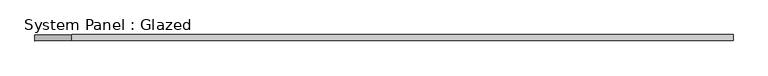
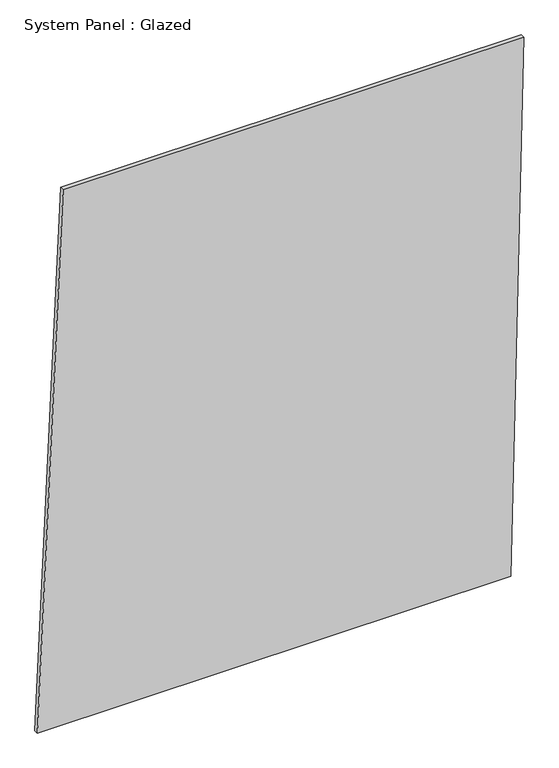
"""IFC4 building model written with IfcOpenShell, lengths in millimetres: plate geometry, System Panel : Glazed."""

from ifc_helpers import new_model, si_unit, frame, origin, place, context, project, spatial, polyline, outline, extrude, source, transform, mapped, element, save


def system_panel_glazed_b8e9d958(model_context):
    return source(origin(), model_context, "Body", "SweptSolid", [
        extrude(outline(polyline([(0.0, -1437.9543982), (0.0, 1362.0456018), (3342.6754788, 1437.9543982), (3342.6754788, -1286.1368054), (0.0, -1437.9543982)])), frame((0.0, -49.5, 0.0), z_axis=(0.0, 1.0, 0.0), x_axis=(0.0, 0.0, 1.0)), (0.0, 0.0, 1.0), 25.0),
    ])


if __name__ == "__main__":
    model = new_model("IFC4")
    model_context = context("Model", 3, world=origin())
    ifc_project = project(units=[si_unit("LENGTHUNIT", "METRE", prefix="MILLI")], contexts=[model_context])
    site = spatial("IfcSite", under=ifc_project)
    building = spatial("IfcBuilding", under=site)
    placement = place(None, origin())
    system_panel_glazed_shape = system_panel_glazed_b8e9d958(model_context)
    element("IfcPlate", 1, ObjectType="System Panel : Glazed", at=placement, inside=building, context=model_context, shape_type="MappedRepresentation", body=[
        mapped(system_panel_glazed_shape, transform((0.0, 0.0, 0.0), x_axis=(1.0, 0.0, 0.0), y_axis=(0.0, 1.0, 0.0), z_axis=(0.0, 0.0, 1.0))),
    ])
    save(model, "model.ifc")
